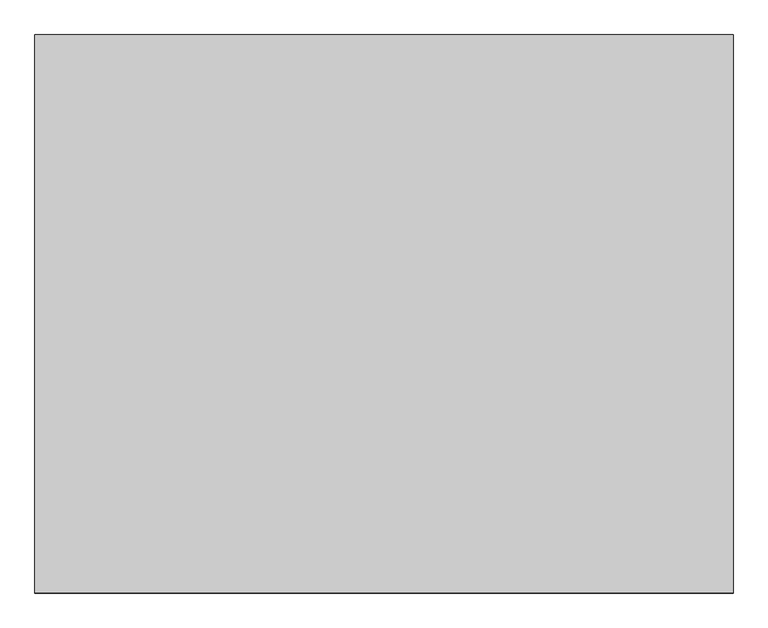
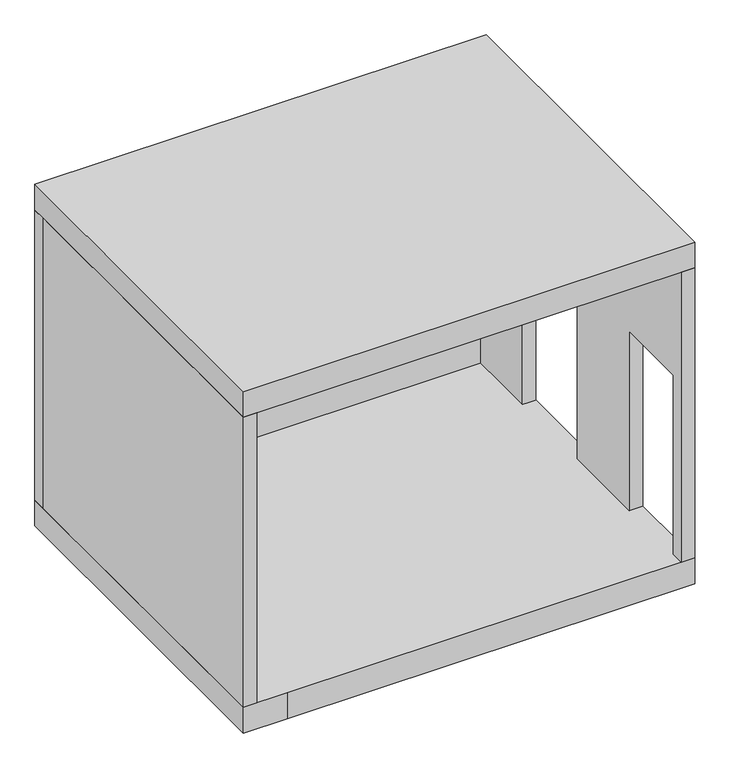
"""IFC4 building model written with IfcOpenShell, lengths in millimetres: proxy geometry."""

import ifcopenshell
import ifcopenshell.guid

model = None  # the IFC model being written
_history = None  # IfcOwnerHistory: only IFC2X3 demands one
_inside = {}  # id of a spatial element -> (the spatial element, [elements in it])
_under = {}  # id of a project, library or spatial element -> (it, [spatial elements below it])
_declared = {}  # id of a project -> (the project, [libraries it declares])
_typed = {}  # id of a type object -> (the type object, [elements of that type])
_made_of = {}  # id of a material, layer set ... -> (it, [elements and type objects made of it])


def new_model(schema):
    """Start an empty IFC model of exactly this schema.

    Asked for "IFC4X3", IfcOpenShell would pick the latest addendum, in which some entities
    have other attributes; the version numbers below select the first issue.
    IFC2X3 requires an IfcOwnerHistory on every rooted entity: one is made here for all.
    """
    global model, _history
    if schema == "IFC4X3":
        model = ifcopenshell.file(schema_version=(4, 3, 0, 0))
    else:
        model = ifcopenshell.file(schema=schema)
    _inside.clear()
    _under.clear()
    _declared.clear()
    _typed.clear()
    _made_of.clear()
    _history = None
    if model.schema == "IFC2X3":
        org = make("IfcOrganization", Name="unknown")
        user = make(
            "IfcPersonAndOrganization",
            ThePerson=make("IfcPerson", FamilyName="unknown"),
            TheOrganization=org,
        )
        app = make(
            "IfcApplication",
            ApplicationDeveloper=org,
            Version="unknown",
            ApplicationFullName="unknown",
            ApplicationIdentifier="unknown",
        )
        _history = make(
            "IfcOwnerHistory",
            OwningUser=user,
            OwningApplication=app,
            ChangeAction="ADDED",
            CreationDate=0,
        )
    return model


def make(cls, **values):
    """One entity of the class cls with the attributes given. An attribute that is None is left unset."""
    return model.create_entity(
        cls, **{name: value for name, value in values.items() if value is not None}
    )


def rooted(cls, **values):
    """An entity with a GlobalId (a new one), such as an element, a storey or a relation."""
    return make(cls, GlobalId=ifcopenshell.guid.new(), OwnerHistory=_history, **values)


def si_unit(unit_type, name, prefix=None):
    """IfcSIUnit, for example si_unit("LENGTHUNIT", "METRE", prefix="MILLI")."""
    return make("IfcSIUnit", UnitType=unit_type, Prefix=prefix, Name=name)


def assignment(units):
    """IfcUnitAssignment: the units of a project."""
    return None if units is None else make("IfcUnitAssignment", Units=units)


def point(xyz):
    """IfcCartesianPoint."""
    return None if xyz is None else make("IfcCartesianPoint", Coordinates=xyz)


def direction(xyz):
    """IfcDirection."""
    return None if xyz is None else make("IfcDirection", DirectionRatios=xyz)


def frame(location, z_axis=None, x_axis=None):
    """IfcAxis2Placement3D, a coordinate frame: its origin and axes. An axis left out is left unset."""
    return make(
        "IfcAxis2Placement3D",
        Location=point(location),
        Axis=direction(z_axis),
        RefDirection=direction(x_axis),
    )


def origin():
    """The frame at (0, 0, 0) with its axes left unset."""
    return frame((0.0, 0.0, 0.0))


def origin_with_axes():
    """The frame at (0, 0, 0) with the z axis (0, 0, 1) and the x axis (1, 0, 0) written out."""
    return frame((0.0, 0.0, 0.0), z_axis=(0.0, 0.0, 1.0), x_axis=(1.0, 0.0, 0.0))


def place(relative_to, where):
    """IfcLocalPlacement: puts the frame where relative to a parent placement (None: the world)."""
    return make(
        "IfcLocalPlacement", PlacementRelTo=relative_to, RelativePlacement=where
    )


def context(
    kind, dimensions, precision=None, world=None, true_north=None, identifier=None
):
    """IfcGeometricRepresentationContext, for example the 3D "Model" context."""
    return make(
        "IfcGeometricRepresentationContext",
        ContextIdentifier=identifier,
        ContextType=kind,
        CoordinateSpaceDimension=dimensions,
        Precision=precision,
        WorldCoordinateSystem=world,
        TrueNorth=true_north,
    )


def project(units=None, contexts=None):
    """IfcProject with its units and contexts."""
    return rooted(
        "IfcProject",
        Name="project",
        RepresentationContexts=contexts,
        UnitsInContext=assignment(units),
    )


def spatial(cls, under=None, at=None, **own):
    """A site, building, storey or space (cls), placed at a placement, below another one or the project."""
    s = rooted(cls, ObjectPlacement=at, **own)
    if under is not None:
        _under.setdefault(under.id(), (under, []))[1].append(s)
    return s


def polyline(points):
    """IfcPolyline through the points."""
    return make("IfcPolyline", Points=[point(p) for p in points])


def outline(outer, holes=None, kind="AREA"):
    """IfcArbitraryClosedProfileDef: a profile drawn as a closed curve; with holes, ...WithVoids."""
    if holes is None:
        return make("IfcArbitraryClosedProfileDef", ProfileType=kind, OuterCurve=outer)
    return make(
        "IfcArbitraryProfileDefWithVoids",
        ProfileType=kind,
        OuterCurve=outer,
        InnerCurves=holes,
    )


def extrude(swept, where, along, depth):
    """IfcExtrudedAreaSolid: the profile swept, set in the frame where, extruded along a direction by depth."""
    return make(
        "IfcExtrudedAreaSolid",
        SweptArea=swept,
        Position=where,
        ExtrudedDirection=direction(along),
        Depth=depth,
    )


def shape(context_of_items, identifier, shape_type, items):
    """IfcShapeRepresentation: the items that make up one representation, for example the "Body"."""
    return make(
        "IfcShapeRepresentation",
        ContextOfItems=context_of_items,
        RepresentationIdentifier=identifier,
        RepresentationType=shape_type,
        Items=items,
    )


def source(mapping_origin, context_of_items, identifier, shape_type, items):
    """IfcRepresentationMap: a shape defined once, which mapped items show again and again."""
    return make(
        "IfcRepresentationMap",
        MappingOrigin=mapping_origin,
        MappedRepresentation=shape(context_of_items, identifier, shape_type, items),
    )


def transform(
    local_origin,
    x_axis=None,
    y_axis=None,
    z_axis=None,
    scale=None,
    scale2=None,
    scale3=None,
    uniform=True,
):
    """IfcCartesianTransformationOperator3D, or its non-uniform kind. x_axis, y_axis, z_axis: its Axis1, 2, 3."""
    if uniform:
        return make(
            "IfcCartesianTransformationOperator3D",
            Axis1=direction(x_axis),
            Axis2=direction(y_axis),
            LocalOrigin=point(local_origin),
            Scale=scale,
            Axis3=direction(z_axis),
        )
    return make(
        "IfcCartesianTransformationOperator3DnonUniform",
        Axis1=direction(x_axis),
        Axis2=direction(y_axis),
        LocalOrigin=point(local_origin),
        Scale=scale,
        Axis3=direction(z_axis),
        Scale2=scale2,
        Scale3=scale3,
    )


def mapped(mapping_source, mapping_target):
    """IfcMappedItem: shows the shape of a source again, moved by a transform."""
    return make(
        "IfcMappedItem", MappingSource=mapping_source, MappingTarget=mapping_target
    )


def made_of(thing, what):
    """Note that an element or type object is made of a material, layer set ...; save() writes the relation."""
    if what is not None:
        _made_of.setdefault(what.id(), (what, []))[1].append(thing)
    return thing


def element(
    cls,
    number,
    at=None,
    inside=None,
    cuts=None,
    type_object=None,
    material=None,
    context=None,
    identifier="Body",
    shape_type=None,
    held_by="IfcProductDefinitionShape",
    body=None,
    shapes=None,
    **own,
):
    """One element of the class cls, such as IfcWall. Its Tag is "e" and its number.

    at: its placement. inside: the storey or other place that contains it. cuts: it is an
    opening in that element (IfcRelVoidsElement). A single representation is given by context,
    identifier, shape_type and body (its items); several are given by shapes. held_by: the class
    of the entity that holds the representations. save() writes the other relations.
    """
    e = rooted(cls, Tag="e%d" % number, ObjectPlacement=at, **own)
    if body is not None:
        shapes = [shape(context, identifier, shape_type, body)]
    if shapes is not None:
        e.Representation = make(held_by, Representations=shapes)
    if inside is not None:
        _inside.setdefault(inside.id(), (inside, []))[1].append(e)
    if cuts is not None:
        rooted(
            "IfcRelVoidsElement", RelatingBuildingElement=cuts, RelatedOpeningElement=e
        )
    if type_object is not None:
        _typed.setdefault(type_object.id(), (type_object, []))[1].append(e)
    return made_of(e, material)


def aggregate(whole, parts):
    """IfcRelAggregates: a whole, such as a stair, and the parts it consists of."""
    return rooted("IfcRelAggregates", RelatingObject=whole, RelatedObjects=parts)


def save(model, path):
    """Write the relations noted so far, then the file.

    IfcRelAggregates (storeys below a building ...), IfcRelContainedInSpatialStructure (elements
    in a storey), IfcRelDefinesByType, IfcRelAssociatesMaterial and IfcRelDeclares: one each for
    every whole, place, type object, material and project.
    """
    for whole, parts in _under.values():
        aggregate(whole, parts)
    for where, things in _inside.values():
        rooted(
            "IfcRelContainedInSpatialStructure",
            RelatedElements=things,
            RelatingStructure=where,
        )
    for kind, things in _typed.values():
        rooted("IfcRelDefinesByType", RelatedObjects=things, RelatingType=kind)
    for what, things in _made_of.values():
        rooted("IfcRelAssociatesMaterial", RelatedObjects=things, RelatingMaterial=what)
    for by, libraries in _declared.values():
        rooted("IfcRelDeclares", RelatingContext=by, RelatedDefinitions=libraries)
    model.write(path)


def generic_models_dd6bc034(model_context):
    return source(origin(), model_context, "Body", "SweptSolid", [
        extrude(outline(polyline([(3219.4756767, 3700.0), (3219.4756767, 300.0), (2419.4756767, 300.0), (2419.4756767, 2400.0), (1369.4756767, 2400.0), (1369.4756767, 300.0), (369.4756767, 300.0), (369.4756767, 2400.0), (-480.5243233, 2400.0), (-480.5243233, 300.0), (-630.5243233, 300.0), (-630.5243233, 3700.0), (3219.4756767, 3700.0)])), frame((5435.7130472, 0.0, 0.0), z_axis=(1.0, 0.0, 0.0), x_axis=(0.0, 1.0, 0.0)), (0.0, 0.0, 1.0), 150.0),
        extrude(outline(polyline([(5585.7130472, 3369.4756767), (5585.7130472, 3219.4756767), (585.7130472, 3219.4756767), (585.7130472, 3369.4756767), (5585.7130472, 3369.4756767)])), frame((0.0, 0.0, 300.0), z_axis=(0.0, 0.0, 1.0), x_axis=(1.0, 0.0, 0.0)), (0.0, 0.0, 1.0), 3400.0),
        extrude(outline(polyline([(735.7130472, 3219.4756767), (735.7130472, -630.5243233), (585.7130472, -630.5243233), (585.7130472, 3219.4756767), (735.7130472, 3219.4756767)])), frame((0.0, 0.0, 300.0), z_axis=(0.0, 0.0, 1.0), x_axis=(1.0, 0.0, 0.0)), (0.0, 0.0, 1.0), 3400.0),
        extrude(outline(polyline([(5585.7130472, -630.5243233), (585.7130472, -630.5243233), (585.7130472, 3369.4756767), (5585.7130472, 3369.4756767), (5585.7130472, -630.5243233)])), frame((0.0, 0.0, 3700.0), z_axis=(0.0, 0.0, 1.0), x_axis=(1.0, 0.0, 0.0)), (0.0, 0.0, 1.0), 300.0),
        extrude(outline(polyline([(5585.7130472, 3369.4756767), (5585.7130472, -630.5243233), (1071.1583788, -630.5243233), (585.7130472, -630.5243233), (585.7130472, 3369.4756767), (5585.7130472, 3369.4756767)])), origin_with_axes(), (0.0, 0.0, 1.0), 300.0),
    ])


if __name__ == "__main__":
    model = new_model("IFC4")
    model_context = context("Model", 3, world=origin())
    ifc_project = project(units=[si_unit("LENGTHUNIT", "METRE", prefix="MILLI")], contexts=[model_context])
    site = spatial("IfcSite", under=ifc_project)
    building = spatial("IfcBuilding", under=site)
    placement = place(None, origin())
    generic_models_shape = generic_models_dd6bc034(model_context)
    element("IfcBuildingElementProxy", 1, Name="Generic Models", at=placement, inside=building, context=model_context, shape_type="MappedRepresentation", body=[
        mapped(generic_models_shape, transform((0.0, 0.0, 0.0), x_axis=(1.0, 0.0, 0.0), y_axis=(0.0, 1.0, 0.0), z_axis=(0.0, 0.0, 1.0))),
    ])
    save(model, "model.ifc")
